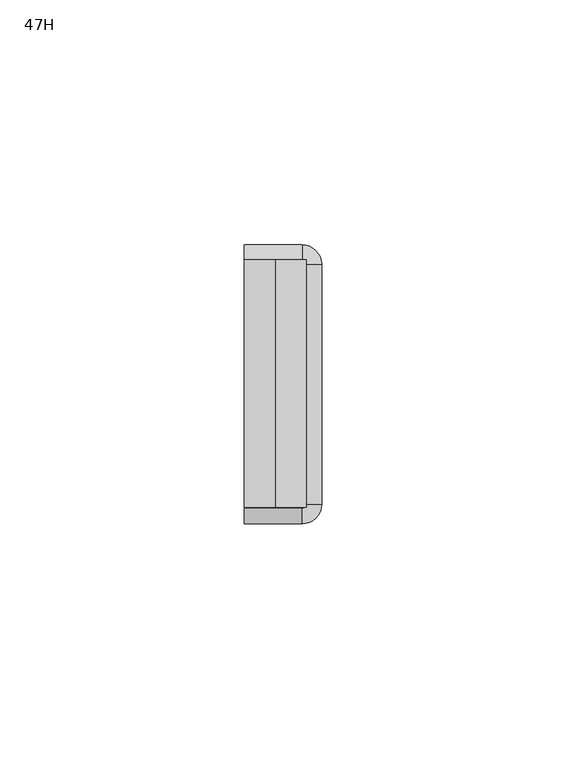
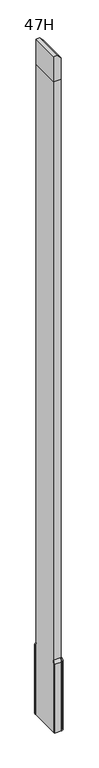
"""IFC4 building model written with IfcOpenShell, lengths in millimetres: furniture geometry, 47H."""

from ifc_helpers import new_model, si_unit, point, frame, origin, place, context, project, spatial, polyline, circle_curve, ellipse_curve, trimmed, outline, extrude, source, transform, mapped, element, save
from ifc_brep_helpers import plane_surface, cylinder_surface, revolved_surface, advanced_brep


def furniture_47h_ec516b0c(model_context):
    return source(origin(), model_context, "Body", "SolidModel", [
        advanced_brep(
        [(1984.8560512, -2420.1637877, 130.97002), (1984.8560512, -2420.1637877, 9.525), (1984.8560512, -2421.7512877, 9.525), (1984.8560512, -2421.7512877, 130.97002), (1984.8560512, -2423.3387877, 134.5628942), (1984.8560512, -2423.3387877, 136.525), (1996.7623012, -2420.1637877, 130.97002), (1996.7623012, -2420.1637877, 9.525), (2000.7310512, -2424.1325377, 9.525), (2000.7310512, -2473.3356635, 9.525), (1996.752927, -2477.3137877, 9.525), (1984.8560512, -2477.3137877, 9.525), (1984.8560512, -2475.7262877, 9.525), (1996.752927, -2475.7262877, 9.525), (1999.1435512, -2473.3356635, 9.525), (1999.1435512, -2424.1325377, 9.525), (1996.7623012, -2421.7512877, 9.525), (1996.7623012, -2421.7512877, 130.97002), (1996.7623012, -2423.3387877, 134.5628942), (1996.7623012, -2423.3387877, 136.525), (2000.7310512, -2424.1325377, 130.97002), (1999.1435512, -2424.1325377, 130.97002), (1997.5560512, -2424.1325377, 134.5628942), (1997.5560512, -2424.1325377, 136.525), (2000.7310512, -2473.3356635, 130.97002), (1999.1435512, -2473.3356635, 130.97002), (1997.5560512, -2473.3356635, 134.5628942), (1997.5560512, -2473.3356635, 136.525), (1996.752927, -2477.3137877, 130.97002), (1996.752927, -2475.7262877, 130.97002), (1996.752927, -2474.1387877, 134.5628942), (1996.752927, -2474.1387877, 136.525), (1984.8560512, -2477.3137877, 130.97002), (1984.8560512, -2474.1387877, 136.525), (1984.8560512, -2474.1387877, 134.5628942), (1984.8560512, -2475.7262877, 130.97002)],
        [
            (0, 1),
            (1, 2),
            (2, 3),
            (3, 4, circle_curve(frame((1984.8560512, -2426.6107842, 130.97002), z_axis=(1.0, 0.0, 0.0), x_axis=(0.0, 1.0, 0.0)), 4.8594965)),
            (4, 5),
            (5, 0, circle_curve(frame((1984.8560512, -2426.6107842, 130.97002), z_axis=(-1.0, 0.0, 0.0), x_axis=(0.0, 1.0, 0.0)), 6.4469965)),
            (0, 6),
            (6, 7),
            (7, 1),
            (7, 8, circle_curve(frame((1996.7623012, -2424.1325377, 9.525), z_axis=(0.0, 0.0, -1.0), x_axis=(0.0, 1.0, 0.0)), 3.96875)),
            (8, 9),
            (9, 10, circle_curve(frame((1996.752927, -2473.3356635, 9.525), z_axis=(0.0, 0.0, -1.0), x_axis=(1.0, 0.0, 0.0)), 3.9781242)),
            (10, 11),
            (11, 12),
            (12, 13),
            (13, 14, circle_curve(frame((1996.752927, -2473.3356635, 9.525), z_axis=(0.0, 0.0, 1.0), x_axis=(1.0, 0.0, 0.0)), 2.3906242)),
            (14, 15),
            (15, 16, circle_curve(frame((1996.7623012, -2424.1325377, 9.525), z_axis=(0.0, 0.0, 1.0), x_axis=(0.0, 1.0, 0.0)), 2.38125)),
            (16, 2),
            (16, 17),
            (17, 3),
            (17, 18, circle_curve(frame((1996.7623012, -2426.6107842, 130.97002), z_axis=(1.0, 0.0, 0.0), x_axis=(0.0, 1.0, 0.0)), 4.8594965)),
            (18, 4),
            (18, 19),
            (19, 5),
            (19, 6, circle_curve(frame((1996.7623012, -2426.6107842, 130.97002), z_axis=(-1.0, 0.0, 0.0), x_axis=(0.0, 1.0, 0.0)), 6.4469965)),
            (6, 20, circle_curve(frame((1996.7623012, -2424.1325377, 130.97002), z_axis=(0.0, 0.0, -1.0), x_axis=(0.0, 1.0, 0.0)), 3.96875)),
            (20, 8),
            (21, 17, circle_curve(frame((1996.7623012, -2424.1325377, 130.97002), z_axis=(0.0, 0.0, 1.0), x_axis=(0.0, 1.0, 0.0)), 2.38125)),
            (15, 21),
            (22, 18, circle_curve(frame((1996.7623012, -2424.1325377, 134.5628942), z_axis=(0.0, 0.0, 1.0), x_axis=(0.0, 1.0, 0.0)), 0.79375)),
            (21, 22, circle_curve(frame((1994.2840547, -2424.1325377, 130.97002), z_axis=(0.0, -1.0, 0.0), x_axis=(1.0, 0.0, 0.0)), 4.8594965)),
            (23, 19, circle_curve(frame((1996.7623012, -2424.1325377, 136.525), z_axis=(0.0, 0.0, 1.0), x_axis=(0.0, 1.0, 0.0)), 0.79375)),
            (22, 23),
            (23, 20, circle_curve(frame((1994.2840547, -2424.1325377, 130.97002), z_axis=(0.0, 1.0, 0.0), x_axis=(1.0, 0.0, 0.0)), 6.4469965)),
            (20, 24),
            (24, 9),
            (14, 25),
            (25, 21),
            (25, 26, circle_curve(frame((1994.2840547, -2473.3356635, 130.97002), z_axis=(0.0, -1.0, 0.0), x_axis=(1.0, 0.0, 0.0)), 4.8594965)),
            (26, 22),
            (26, 27),
            (27, 23),
            (27, 24, circle_curve(frame((1994.2840547, -2473.3356635, 130.97002), z_axis=(0.0, 1.0, 0.0), x_axis=(1.0, 0.0, 0.0)), 6.4469965)),
            (24, 28, circle_curve(frame((1996.752927, -2473.3356635, 130.97002), z_axis=(0.0, 0.0, -1.0), x_axis=(1.0, 0.0, 0.0)), 3.9781242)),
            (28, 10),
            (29, 25, circle_curve(frame((1996.752927, -2473.3356635, 130.97002), z_axis=(0.0, 0.0, 1.0), x_axis=(1.0, 0.0, 0.0)), 2.3906242)),
            (13, 29),
            (30, 26, circle_curve(frame((1996.752927, -2473.3356635, 134.5628942), z_axis=(0.0, 0.0, 1.0), x_axis=(1.0, 0.0, 0.0)), 0.8031242)),
            (29, 30, circle_curve(frame((1996.752927, -2470.8667912, 130.97002), z_axis=(-1.0, 0.0, 0.0), x_axis=(0.0, -1.0, 0.0)), 4.8594965)),
            (31, 27, circle_curve(frame((1996.752927, -2473.3356635, 136.525), z_axis=(0.0, 0.0, 1.0), x_axis=(1.0, 0.0, 0.0)), 0.8031242)),
            (30, 31),
            (31, 28, circle_curve(frame((1996.752927, -2470.8667912, 130.97002), z_axis=(1.0, 0.0, 0.0), x_axis=(0.0, -1.0, 0.0)), 6.4469965)),
            (32, 33, circle_curve(frame((1984.8560512, -2470.8667912, 130.97002), z_axis=(-1.0, 0.0, 0.0), x_axis=(0.0, -1.0, 0.0)), 6.4469965)),
            (33, 34),
            (34, 35, circle_curve(frame((1984.8560512, -2470.8667912, 130.97002), z_axis=(1.0, 0.0, 0.0), x_axis=(0.0, -1.0, 0.0)), 4.8594965)),
            (35, 12),
            (11, 32),
            (28, 32),
            (35, 29),
            (34, 30),
            (33, 31),
        ],
        [
            plane_surface(frame((1984.8560512, -2423.3387877, 0.0), z_axis=(-1.0, 0.0, 0.0), x_axis=(0.0, 0.0, 1.0))),
            plane_surface(frame((1984.8560512, -2420.1637877, 130.97002), z_axis=(0.0, 1.0, 0.0), x_axis=(1.0, 0.0, 0.0))),
            plane_surface(frame((1984.8560512, -2420.1637877, 9.525), z_axis=(0.0, 0.0, -1.0), x_axis=(1.0, 0.0, 0.0))),
            plane_surface(frame((1984.8560512, -2421.7512877, 9.525), z_axis=(0.0, -1.0, 0.0), x_axis=(1.0, 0.0, 0.0))),
            revolved_surface(polyline([(1996.7623012, -2421.7512877, 130.97002), (1984.8560512, -2421.7512877, 130.97002)]), (1984.8560512, -2426.6107842, 130.97002), (1.0, 0.0, 0.0)),
            plane_surface(frame((1984.8560512, -2423.3387877, 134.5628942), z_axis=(0.0, -1.0, 0.0), x_axis=(1.0, 0.0, 0.0))),
            cylinder_surface(frame((1984.8560512, -2426.6107842, 130.97002), z_axis=(-1.0, 0.0, 0.0), x_axis=(0.0, 1.0, 0.0)), 6.4469965),
            cylinder_surface(frame((1996.7623012, -2424.1325377, 0.0), z_axis=(0.0, 0.0, -1.0), x_axis=(0.0, 1.0, 0.0)), 3.96875),
            revolved_surface(polyline([(1996.7623012, -2421.7512877, 9.525), (1996.7623012, -2421.7512877, 130.97002)]), (1996.7623012, -2424.1325377, 0.0), (0.0, 0.0, -1.0)),
            revolved_surface(trimmed(ellipse_curve(frame((1996.7623012, -2426.6107842, 130.97002), z_axis=(1.0, 0.0, 0.0), x_axis=(0.0, 1.0, 0.0)), 4.8594965, 4.8594965), [point((1996.7623012, -2421.7512877, 130.97002))], [point((1996.7623012, -2423.3387877, 134.5628942))], True, "CARTESIAN"), (1996.7623012, -2424.1325377, 0.0), (0.0, 0.0, -1.0)),
            revolved_surface(polyline([(1996.7623012, -2423.3387877, 134.5628942), (1996.7623012, -2423.3387877, 136.525)]), (1996.7623012, -2424.1325377, 0.0), (0.0, 0.0, -1.0)),
            revolved_surface(trimmed(ellipse_curve(frame((1996.7623012, -2426.6107842, 130.97002), z_axis=(-1.0, 0.0, 0.0), x_axis=(0.0, 1.0, 0.0)), 6.4469965, 6.4469965), [point((1996.7623012, -2423.3387877, 136.525))], [point((1996.7623012, -2420.1637877, 130.97002))], True, "CARTESIAN"), (1996.7623012, -2424.1325377, 0.0), (0.0, 0.0, -1.0)),
            plane_surface(frame((2000.7310512, -2424.1325377, 130.97002), z_axis=(1.0, 0.0, 0.0), x_axis=(0.0, -1.0, 0.0))),
            plane_surface(frame((1999.1435512, -2424.1325377, 9.525), z_axis=(-1.0, 0.0, 0.0), x_axis=(0.0, -1.0, 0.0))),
            revolved_surface(polyline([(1999.1435512, -2473.3356635, 130.97002), (1999.1435512, -2424.1325377, 130.97002)]), (1994.2840547, -2424.1325377, 130.97002), (0.0, -1.0, 0.0)),
            plane_surface(frame((1997.5560512, -2424.1325377, 134.5628942), z_axis=(-1.0, 0.0, 0.0), x_axis=(0.0, -1.0, 0.0))),
            cylinder_surface(frame((1994.2840547, -2424.1325377, 130.97002), z_axis=(0.0, 1.0, 0.0), x_axis=(1.0, 0.0, 0.0)), 6.4469965),
            cylinder_surface(frame((1996.752927, -2473.3356635, 0.0), z_axis=(0.0, 0.0, -1.0), x_axis=(1.0, 0.0, 0.0)), 3.9781242),
            revolved_surface(polyline([(1999.1435512, -2473.3356635, 9.525), (1999.1435512, -2473.3356635, 130.97002)]), (1996.752927, -2473.3356635, 0.0), (0.0, 0.0, -1.0)),
            revolved_surface(trimmed(ellipse_curve(frame((1994.2840547, -2473.3356635, 130.97002), z_axis=(0.0, -1.0, 0.0), x_axis=(1.0, 0.0, 0.0)), 4.8594965, 4.8594965), [point((1999.1435512, -2473.3356635, 130.97002))], [point((1997.5560512, -2473.3356635, 134.5628942))], True, "CARTESIAN"), (1996.752927, -2473.3356635, 0.0), (0.0, 0.0, -1.0)),
            revolved_surface(polyline([(1997.5560512, -2473.3356635, 134.5628942), (1997.5560512, -2473.3356635, 136.525)]), (1996.752927, -2473.3356635, 0.0), (0.0, 0.0, -1.0)),
            revolved_surface(trimmed(ellipse_curve(frame((1994.2840547, -2473.3356635, 130.97002), z_axis=(0.0, 1.0, 0.0), x_axis=(1.0, 0.0, 0.0)), 6.4469965, 6.4469965), [point((1997.5560512, -2473.3356635, 136.525))], [point((2000.7310512, -2473.3356635, 130.97002))], True, "CARTESIAN"), (1996.752927, -2473.3356635, 0.0), (0.0, 0.0, -1.0)),
            plane_surface(frame((1984.8560512, -2474.1387877, 0.0), z_axis=(-1.0, 0.0, 0.0), x_axis=(0.0, 0.0, 1.0))),
            plane_surface(frame((1996.752927, -2477.3137877, 130.97002), z_axis=(0.0, -1.0, 0.0), x_axis=(-1.0, 0.0, 0.0))),
            plane_surface(frame((1996.752927, -2475.7262877, 9.525), z_axis=(0.0, 1.0, 0.0), x_axis=(-1.0, 0.0, 0.0))),
            revolved_surface(polyline([(1984.8560512, -2475.7262877000003, 130.97002), (1996.752927, -2475.7262877000003, 130.97002)]), (1996.752927, -2470.8667912, 130.97002), (-1.0, 0.0, 0.0)),
            plane_surface(frame((1996.752927, -2474.1387877, 134.5628942), z_axis=(0.0, 1.0, 0.0), x_axis=(-1.0, 0.0, 0.0))),
            cylinder_surface(frame((1996.752927, -2470.8667912, 130.97002), z_axis=(1.0, 0.0, 0.0), x_axis=(0.0, -1.0, 0.0)), 6.4469965),
        ],
        [
            (0, [[1, 2, 3, 4, 5, 6]]),
            (1, [[-1, 7, 8, 9]]),
            (2, [[-2, -9, 10, 11, 12, 13, 14, 15, 16, 17, 18, 19]]),
            (3, [[-3, -19, 20, 21]]),
            (4, [[-4, -21, 22, 23]]),
            (5, [[-5, -23, 24, 25]]),
            (6, [[-6, -25, 26, -7]]),
            (7, [[-10, -8, 27, 28]]),
            (8, [[29, -20, -18, 30]]),
            (9, [[31, -22, -29, 32]]),
            (10, [[33, -24, -31, 34]]),
            (11, [[-27, -26, -33, 35]]),
            (12, [[-28, 36, 37, -11]]),
            (13, [[-30, -17, 38, 39]]),
            (14, [[-32, -39, 40, 41]]),
            (15, [[-34, -41, 42, 43]]),
            (16, [[-35, -43, 44, -36]]),
            (17, [[-12, -37, 45, 46]]),
            (18, [[47, -38, -16, 48]]),
            (19, [[49, -40, -47, 50]]),
            (20, [[51, -42, -49, 52]]),
            (21, [[-45, -44, -51, 53]]),
            (22, [[54, 55, 56, 57, -14, 58]]),
            (23, [[-46, 59, -58, -13]]),
            (24, [[-48, -15, -57, 60]]),
            (25, [[-50, -60, -56, 61]]),
            (26, [[-52, -61, -55, 62]]),
            (27, [[-53, -62, -54, -59]]),
        ],
    ),
        extrude(outline(polyline([(1158.875, 1984.8560512), (1158.875, 1997.5560512), (1196.975, 1997.5560512), (1203.325, 1991.2060512), (1203.325, 1984.8560512), (1158.875, 1984.8560512)])), frame((0.0, -2474.1387877, 0.0), z_axis=(0.0, 1.0, 0.0), x_axis=(0.0, 0.0, 1.0)), (0.0, 0.0, 1.0), 50.8),
        extrude(outline(polyline([(1984.8560512, -2474.1387877), (1984.8560512, -2423.3387877), (1997.5560512, -2423.3387877), (1997.5560512, -2474.1387877), (1984.8560512, -2474.1387877)])), frame((0.0, 0.0, 9.525), z_axis=(0.0, 0.0, 1.0), x_axis=(1.0, 0.0, 0.0)), (0.0, 0.0, 1.0), 1149.35),
    ])


if __name__ == "__main__":
    model = new_model("IFC4")
    model_context = context("Model", 3, world=origin())
    ifc_project = project(units=[si_unit("LENGTHUNIT", "METRE", prefix="MILLI")], contexts=[model_context])
    site = spatial("IfcSite", under=ifc_project)
    building = spatial("IfcBuilding", under=site)
    placement = place(None, origin())
    furniture_47h_shape = furniture_47h_ec516b0c(model_context)
    element("IfcFurniture", 1, ObjectType="47H", at=placement, inside=building, context=model_context, shape_type="MappedRepresentation", body=[
        mapped(furniture_47h_shape, transform((0.0, 0.0, 0.0), x_axis=(1.0, 0.0, 0.0), y_axis=(0.0, 1.0, 0.0), z_axis=(0.0, 0.0, 1.0))),
    ])
    save(model, "model.ifc")
